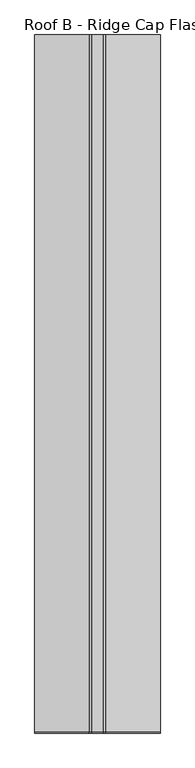
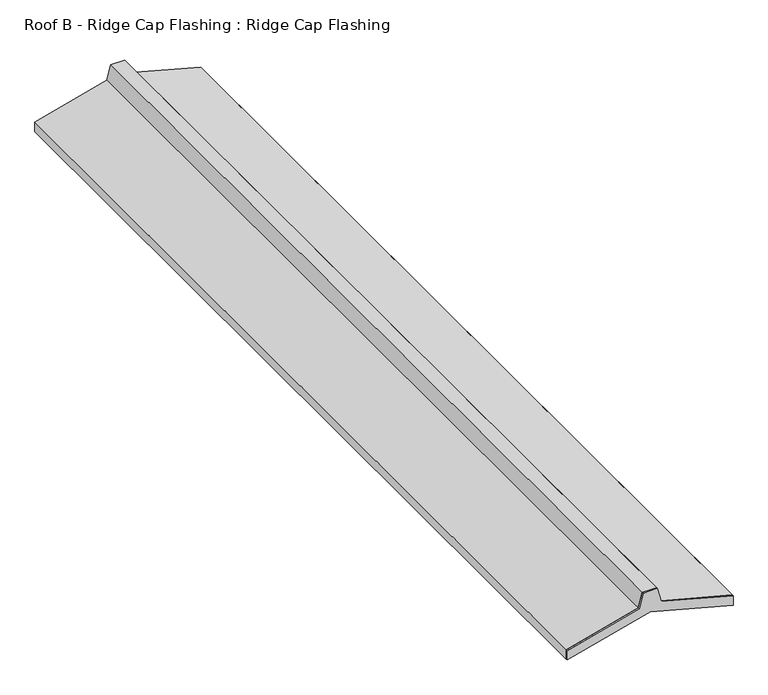
"""IFC4 building model written with IfcOpenShell, lengths in millimetres: proxy geometry, Roof B - Ridge Cap Flashing : Ridge Cap Flashing."""

from ifc_helpers import new_model, si_unit, frame, origin, place, context, project, spatial, polyline, outline, extrude, source, transform, mapped, element, save


def roof_b_ridge_cap_flashing_ridge_cap_flashing_da76b1e9(model_context):
    return source(origin(), model_context, "Body", "SweptSolid", [
        extrude(outline(polyline([(4041.5461554, 1972.125984), (3982.7281721, 1956.3657529), (3907.4455258, 1675.4070919), (3868.543288, 1675.4070919), (3955.5176956, 2000.0), (3868.543288, 2324.5929081), (3907.4455258, 2324.5929081), (3982.7281721, 2043.6342471), (4041.5461554, 2027.874016), (4041.5461554, 1972.125984)])), frame((0.0, -3745.9046321, 0.0), z_axis=(0.0, 1.0, 0.0), x_axis=(0.0, 0.0, 1.0)), (0.0, 0.0, 1.0), 5.0),
        extrude(outline(polyline([(4041.5461554, 2027.874016), (4041.5461554, 1972.125984), (3982.7281721, 1956.3657529), (3907.4455258, 1675.4070919), (3868.543288, 1675.4070919), (3868.543288, 1676.4070919), (3906.6781988, 1676.4070919), (3981.9116755, 1957.1822494), (4040.5461554, 1972.893311), (4040.5461554, 2027.106689), (3981.9116755, 2042.8177506), (3906.6781988, 2323.5929081), (3868.543288, 2323.5929081), (3868.543288, 2324.5929081), (3907.4455258, 2324.5929081), (3982.7281721, 2043.6342471), (4041.5461554, 2027.874016)])), frame((0.0, -3740.9046321, 0.0), z_axis=(0.0, 1.0, 0.0), x_axis=(0.0, 0.0, 1.0)), (0.0, 0.0, 1.0), 3603.8746694),
    ])


if __name__ == "__main__":
    model = new_model("IFC4")
    model_context = context("Model", 3, world=origin())
    ifc_project = project(units=[si_unit("LENGTHUNIT", "METRE", prefix="MILLI")], contexts=[model_context])
    site = spatial("IfcSite", under=ifc_project)
    building = spatial("IfcBuilding", under=site)
    placement = place(None, origin())
    roof_b_ridge_cap_flashing_ridge_cap_flashing_shape = roof_b_ridge_cap_flashing_ridge_cap_flashing_da76b1e9(model_context)
    element("IfcBuildingElementProxy", 1, Name="Roof B - Ridge Cap Flashing : Ridge Cap Flashing", ObjectType="Roof B - Ridge Cap Flashing : Ridge Cap Flashing", at=placement, inside=building, context=model_context, shape_type="MappedRepresentation", body=[
        mapped(roof_b_ridge_cap_flashing_ridge_cap_flashing_shape, transform((0.0, 0.0, 0.0), x_axis=(1.0, 0.0, 0.0), y_axis=(0.0, 1.0, 0.0), z_axis=(0.0, 0.0, 1.0))),
    ])
    save(model, "model.ifc")
